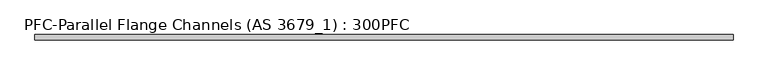
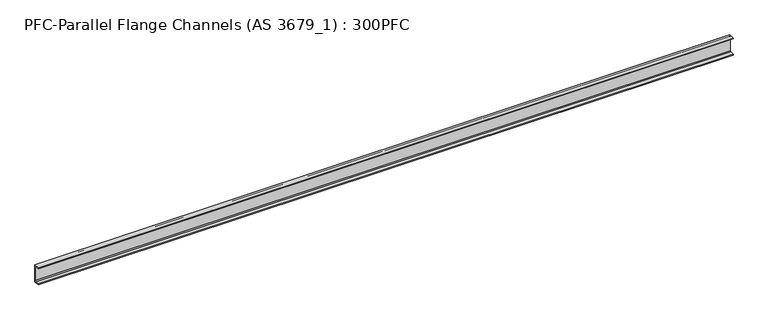
"""IFC4 building model written with IfcOpenShell, lengths in millimetres: beam geometry, PFC-Parallel Flange Channels (AS 3679_1) : 300PFC."""

from ifc_helpers import new_model, si_unit, point, frame, frame_2d, origin, place, context, project, spatial, polyline, circle_curve, trimmed, segment, composite_curve, outline, extrude, source, transform, mapped, element, save


def pfc_parallel_flange_channels_as_3679_1_300pfc_7a19c5ba(model_context):
    return source(origin(), model_context, "Body", "SweptSolid", [
        extrude(outline(composite_curve([segment(polyline([(27.2, 150.0), (27.2, -150.0), (-62.8, -150.0), (-62.8, -134.0), (5.2, -134.0)]), True, "CONTINUOUS"), segment(trimmed(circle_curve(frame_2d((5.2, -120.0)), 14.0), [point((5.2, -134.0))], [point((19.2, -120.0))], True, "CARTESIAN"), True, "CONTINUOUS"), segment(polyline([(19.2, -120.0), (19.2, 120.0)]), True, "CONTINUOUS"), segment(trimmed(circle_curve(frame_2d((5.2, 120.0)), 14.0), [point((19.2, 120.0))], [point((5.2, 134.0))], True, "CARTESIAN"), True, "CONTINUOUS"), segment(polyline([(5.2, 134.0), (-62.8, 134.0), (-62.8, 150.0), (27.2, 150.0)]), True, "CONTINUOUS")], self_intersect=False)), frame((-5730.0, 0.0, 0.0), z_axis=(1.0, 0.0, 0.0), x_axis=(0.0, 1.0, 0.0)), (0.0, 0.0, 1.0), 11460.0),
    ])


if __name__ == "__main__":
    model = new_model("IFC4")
    model_context = context("Model", 3, world=origin())
    ifc_project = project(units=[si_unit("LENGTHUNIT", "METRE", prefix="MILLI")], contexts=[model_context])
    site = spatial("IfcSite", under=ifc_project)
    building = spatial("IfcBuilding", under=site)
    placement = place(None, origin())
    pfc_parallel_flange_channels_as_3679_1_300pfc_shape = pfc_parallel_flange_channels_as_3679_1_300pfc_7a19c5ba(model_context)
    element("IfcBeam", 1, ObjectType="PFC-Parallel Flange Channels (AS 3679_1) : 300PFC", at=placement, inside=building, context=model_context, shape_type="MappedRepresentation", body=[
        mapped(pfc_parallel_flange_channels_as_3679_1_300pfc_shape, transform((0.0, 0.0, 0.0), x_axis=(1.0, 0.0, 0.0), y_axis=(0.0, 1.0, 0.0), z_axis=(0.0, 0.0, 1.0))),
    ])
    save(model, "model.ifc")
